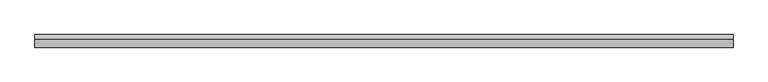
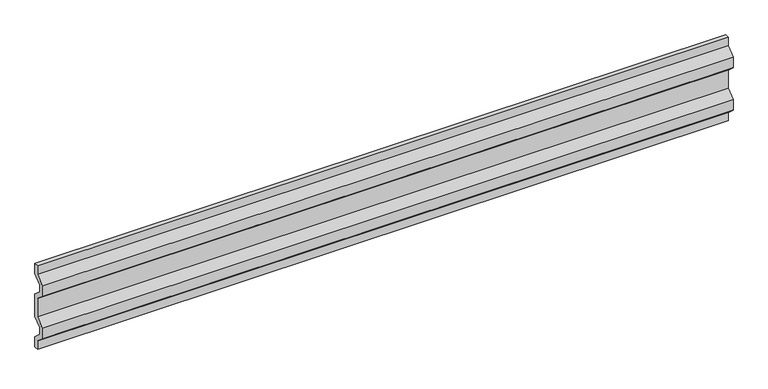
"""IFC4 building model written with IfcOpenShell, lengths in millimetres: proxy geometry."""

from ifc_helpers import new_model, si_unit, frame, origin, place, context, project, spatial, polyline, outline, extrude, source, transform, mapped, element, save


def generic_models_8f2272a7(model_context):
    return source(origin(), model_context, "Body", "SweptSolid", [
        extrude(outline(polyline([(-0.000394, 273.4272187), (-28.3142118, 247.9333426), (-28.3142118, 222.5333426), (-0.000394, 197.0394665), (-0.000394, 114.4894665), (-28.3142118, 88.9955904), (-28.3142118, 63.5955904), (-0.000394, 38.1017143), (-0.000394, 0.0017143), (-15.875394, 0.0017143), (-15.875394, 31.0337089), (-44.1892118, 56.527585), (-44.1892118, 96.0635958), (-15.875394, 121.5574719), (-15.875394, 189.9714611), (-44.1892118, 215.4653372), (-44.1892118, 255.001348), (-15.875394, 280.4952241), (-15.875394, 311.5272187), (-0.000394, 311.5272187), (-0.000394, 273.4272187)])), frame((0.0, 0.0, 0.0), z_axis=(1.0, 0.0, 0.0), x_axis=(0.0, 1.0, 0.0)), (0.0, 0.0, 1.0), 2438.4),
    ])


if __name__ == "__main__":
    model = new_model("IFC4")
    model_context = context("Model", 3, world=origin())
    ifc_project = project(units=[si_unit("LENGTHUNIT", "METRE", prefix="MILLI")], contexts=[model_context])
    site = spatial("IfcSite", under=ifc_project)
    building = spatial("IfcBuilding", under=site)
    placement = place(None, origin())
    generic_models_shape = generic_models_8f2272a7(model_context)
    element("IfcBuildingElementProxy", 1, Name="Generic Models", at=placement, inside=building, context=model_context, shape_type="MappedRepresentation", body=[
        mapped(generic_models_shape, transform((0.0, 0.0, 0.0), x_axis=(1.0, 0.0, 0.0), y_axis=(0.0, 1.0, 0.0), z_axis=(0.0, 0.0, 1.0))),
    ])
    save(model, "model.ifc")
